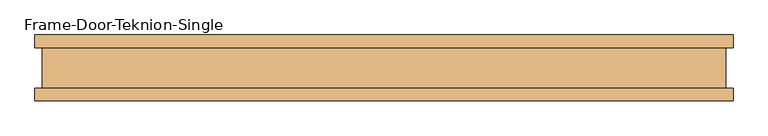
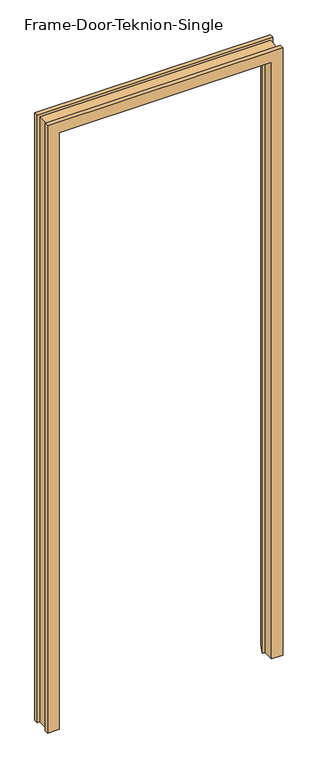
"""IFC4 building model written with IfcOpenShell, lengths in millimetres: door geometry, Frame-Door-Teknion-Single."""

from ifc_helpers import new_model, si_unit, origin, place, context, project, spatial, faceted_brep, source, transform, mapped, element, save


def frame_door_teknion_single_480e760c(model_context):
    return source(origin(), model_context, "Body", "Brep", [
        faceted_brep([(-478.9807565, -50.0254003, 0.0), (-530.4157565, -50.0254003, 0.0), (-530.4157565, -30.7594, 0.0), (-519.4101562, -30.7594, 0.0), (-519.4101562, 30.7594, 0.0), (-530.4157565, 30.7594, 0.0), (-530.4157565, 50.0254003, 0.0), (-488.5054518, 50.0254003, 0.0), (-466.0583342, -0.7133435, 0.0), (-478.9807565, -0.7133435, 0.0), (-478.9807565, -0.7133435, 2839.085), (-478.9807565, -50.0254003, 2839.085), (-466.0583342, -0.7133435, 2826.1625776), (466.0583342, -0.7133435, 2826.1625776), (466.0583342, -0.7133435, 0.0), (478.9807565, -0.7133435, 0.0), (478.9807565, -0.7133435, 2839.085), (-488.5054518, 50.0254003, 2848.6096953), (-530.4157565, 50.0254003, 2890.52), (530.4157565, 50.0254003, 2890.52), (530.4157565, 50.0254003, 0.0), (488.5054518, 50.0254003, 0.0), (488.5054518, 50.0254003, 2848.6096953), (-530.4157565, 30.7594, 2890.52), (-519.4101562, 30.7594, 2879.5143997), (519.4101563, 30.7594, 2879.5143997), (519.4101563, 30.7594, 0.0), (530.4157565, 30.7594, 0.0), (530.4157565, 30.7594, 2890.52), (-519.4101562, -30.7594, 2879.5143997), (-530.4157565, -30.7594, 2890.52), (530.4157565, -30.7594, 2890.52), (530.4157565, -30.7594, 0.0), (519.4101563, -30.7594, 0.0), (519.4101563, -30.7594, 2879.5143997), (-530.4157565, -50.0254003, 2890.52), (478.9807565, -50.0254003, 2839.085), (478.9807565, -50.0254003, 0.0), (530.4157565, -50.0254003, 0.0), (530.4157565, -50.0254003, 2890.52)], [[[0, 1, 2, 3, 4, 5, 6, 7, 8, 9]], [[9, 10, 11, 0]], [[8, 12, 13, 14, 15, 16, 10, 9]], [[7, 17, 12, 8]], [[6, 18, 19, 20, 21, 22, 17, 7]], [[5, 23, 18, 6]], [[4, 24, 25, 26, 27, 28, 23, 5]], [[3, 29, 24, 4]], [[2, 30, 31, 32, 33, 34, 29, 3]], [[1, 35, 30, 2]], [[0, 11, 36, 37, 38, 39, 35, 1]], [[37, 15, 14, 21, 20, 27, 26, 33, 32, 38]], [[16, 15, 37, 36]], [[22, 21, 14, 13]], [[28, 27, 20, 19]], [[34, 33, 26, 25]], [[39, 38, 32, 31]], [[10, 16, 36, 11]], [[17, 22, 13, 12]], [[23, 28, 19, 18]], [[29, 34, 25, 24]], [[35, 39, 31, 30]]]),
    ])


if __name__ == "__main__":
    model = new_model("IFC4")
    model_context = context("Model", 3, world=origin())
    ifc_project = project(units=[si_unit("LENGTHUNIT", "METRE", prefix="MILLI")], contexts=[model_context])
    site = spatial("IfcSite", under=ifc_project)
    building = spatial("IfcBuilding", under=site)
    placement = place(None, origin())
    frame_door_teknion_single_shape = frame_door_teknion_single_480e760c(model_context)
    element("IfcDoor", 1, ObjectType="Frame-Door-Teknion-Single", at=placement, inside=building, context=model_context, shape_type="MappedRepresentation", body=[
        mapped(frame_door_teknion_single_shape, transform((0.0, 0.0, 0.0), x_axis=(1.0, 0.0, 0.0), y_axis=(0.0, 1.0, 0.0), z_axis=(0.0, 0.0, 1.0))),
    ])
    save(model, "model.ifc")
